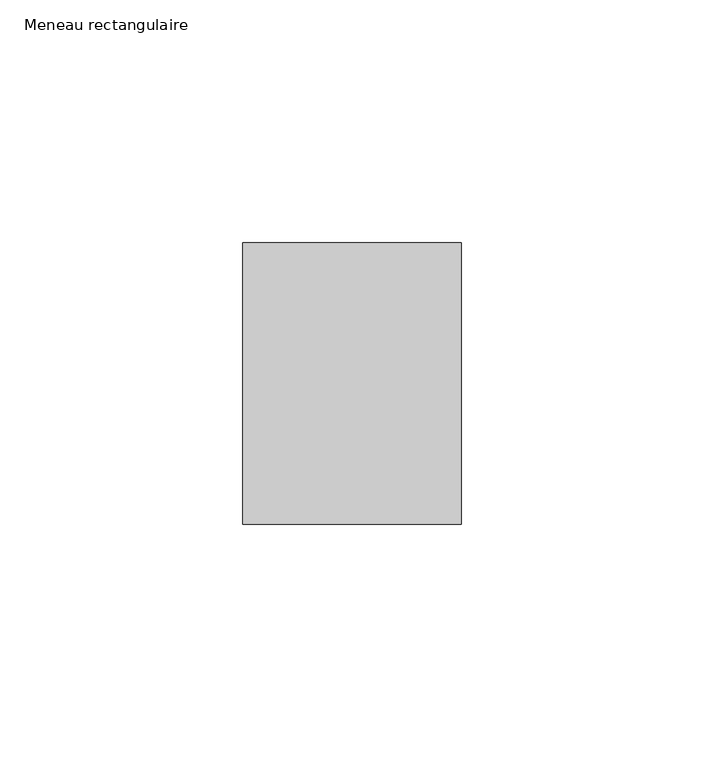
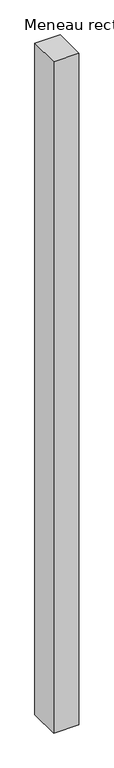
"""IFC4 building model written with IfcOpenShell, lengths in millimetres: member geometry, Meneau rectangulaire."""

from ifc_helpers import new_model, si_unit, frame, origin, place, context, project, spatial, polyline, outline, extrude, source, transform, mapped, element, save


def meneau_rectangulaire_f0a3ae60(model_context):
    return source(origin(), model_context, "Body", "SweptSolid", [
        extrude(outline(polyline([(-45.0, 29.0), (0.0, 29.0), (0.0, -29.0), (-45.0, -29.0), (-45.0, 29.0)])), frame((0.0, 0.0, -1272.3750002), z_axis=(0.0, 0.0, 1.0), x_axis=(1.0, 0.0, 0.0)), (0.0, 0.0, 1.0), 1272.3750002),
    ])


if __name__ == "__main__":
    model = new_model("IFC4")
    model_context = context("Model", 3, world=origin())
    ifc_project = project(units=[si_unit("LENGTHUNIT", "METRE", prefix="MILLI")], contexts=[model_context])
    site = spatial("IfcSite", under=ifc_project)
    building = spatial("IfcBuilding", under=site)
    placement = place(None, origin())
    meneau_rectangulaire_shape = meneau_rectangulaire_f0a3ae60(model_context)
    element("IfcMember", 1, ObjectType="Meneau rectangulaire", at=placement, inside=building, context=model_context, shape_type="MappedRepresentation", body=[
        mapped(meneau_rectangulaire_shape, transform((0.0, 0.0, 0.0), x_axis=(1.0, 0.0, 0.0), y_axis=(0.0, 1.0, 0.0), z_axis=(0.0, 0.0, 1.0))),
    ])
    save(model, "model.ifc")
